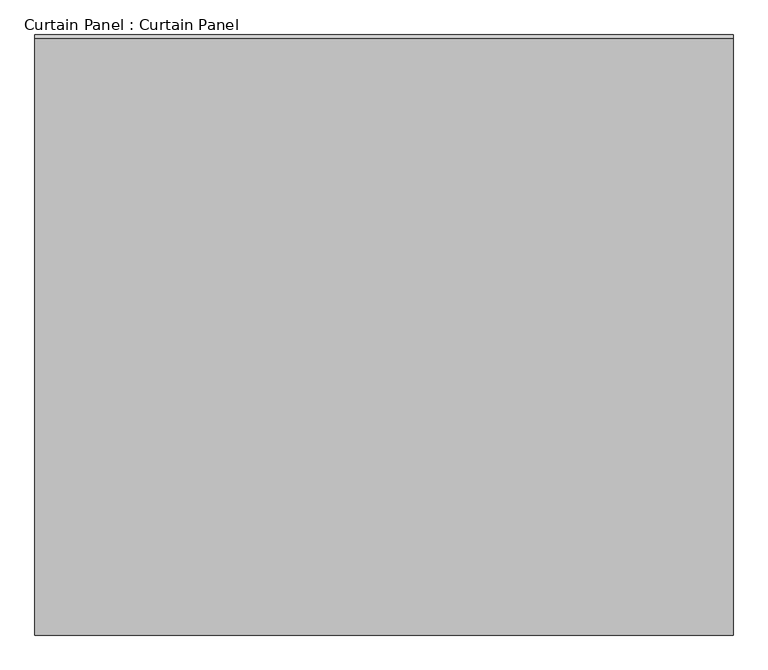
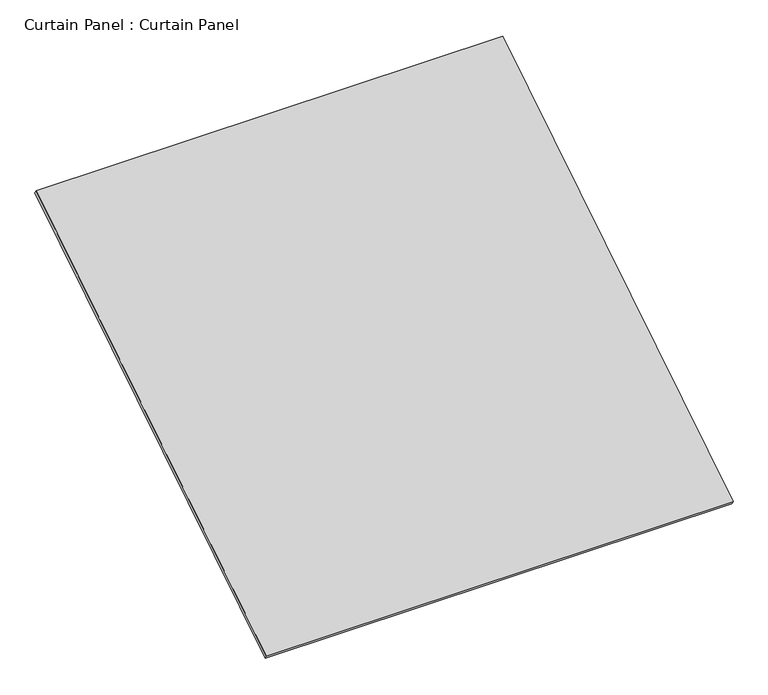
"""IFC4 building model written with IfcOpenShell, lengths in millimetres: plate geometry, Curtain Panel : Curtain Panel."""

from ifc_helpers import new_model, si_unit, frame, origin, place, context, project, spatial, polyline, outline, extrude, source, transform, mapped, element, save


def curtain_panel_curtain_panel_91f057d4(model_context):
    return source(origin(), model_context, "Body", "SweptSolid", [
        extrude(outline(polyline([(-63.5, 0.0), (-63.5, -3013.075), (-3048.0, -3013.075), (-3048.0, 0.0), (-63.5, 0.0)])), frame((-117670.6430895, -3925.8916967, 7181.9913829), z_axis=(0.0, -0.5318918435658209, 0.8468122972348432), x_axis=(-1.0, 0.0, 0.0)), (0.0, 0.0, 1.0), 25.4),
    ])


if __name__ == "__main__":
    model = new_model("IFC4")
    model_context = context("Model", 3, world=origin())
    ifc_project = project(units=[si_unit("LENGTHUNIT", "METRE", prefix="MILLI")], contexts=[model_context])
    site = spatial("IfcSite", under=ifc_project)
    building = spatial("IfcBuilding", under=site)
    placement = place(None, origin())
    curtain_panel_curtain_panel_shape = curtain_panel_curtain_panel_91f057d4(model_context)
    element("IfcPlate", 1, ObjectType="Curtain Panel : Curtain Panel", at=placement, inside=building, context=model_context, shape_type="MappedRepresentation", body=[
        mapped(curtain_panel_curtain_panel_shape, transform((0.0, 0.0, 0.0), x_axis=(1.0, 0.0, 0.0), y_axis=(0.0, 1.0, 0.0), z_axis=(0.0, 0.0, 1.0))),
    ])
    save(model, "model.ifc")
